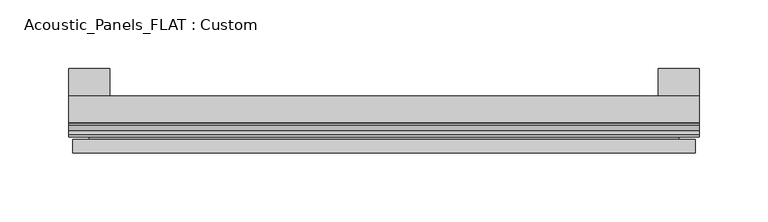
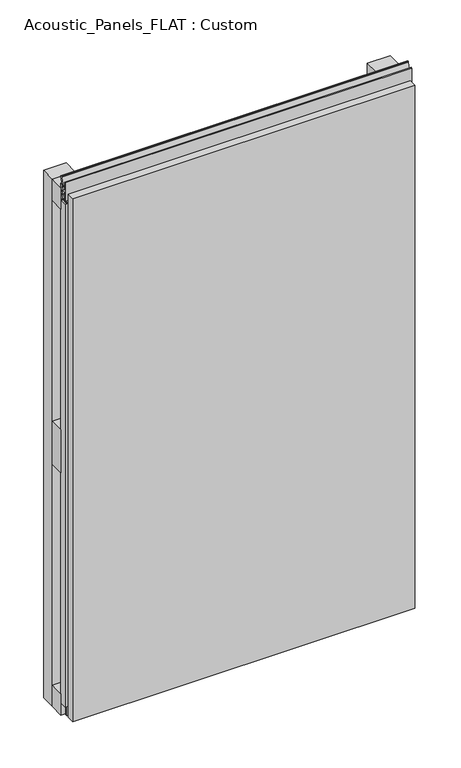
"""IFC4 building model written with IfcOpenShell, lengths in millimetres: plate geometry, Acoustic_Panels_FLAT : Custom."""

from ifc_helpers import new_model, si_unit, frame, origin, origin_with_axes, place, context, project, spatial, polyline, outline, extrude, faceted_brep, source, transform, mapped, element, save


def acoustic_panels_flat_custom_316b4cdc(model_context):
    return source(origin(), model_context, "Body", "SolidModel", [
        extrude(outline(polyline([(-230.0, -40.0), (-230.0, -20.0), (230.0, -20.0), (230.0, -40.0), (-230.0, -40.0)])), frame((0.0, 0.0, 710.0), z_axis=(0.0, 0.0, 1.0), x_axis=(1.0, 0.0, 0.0)), (0.0, 0.0, 1.0), 30.0),
        extrude(outline(polyline([(-230.0, -40.0), (-230.0, -20.0), (230.0, -20.0), (230.0, -40.0), (-230.0, -40.0)])), origin_with_axes(), (0.0, 0.0, 1.0), 30.0),
        extrude(outline(polyline([(-230.0, -40.0), (-230.0, -20.0), (230.0, -20.0), (230.0, -40.0), (-230.0, -40.0)])), frame((0.0, 0.0, 340.0), z_axis=(0.0, 0.0, 1.0), x_axis=(1.0, 0.0, 0.0)), (0.0, 0.0, 1.0), 60.0),
        extrude(outline(polyline([(200.0, 0.0), (230.0, 0.0), (230.0, -20.0), (200.0, -20.0), (200.0, 0.0)])), origin_with_axes(), (0.0, 0.0, 1.0), 740.0),
        extrude(outline(polyline([(-200.0, 0.0), (-200.0, -20.0), (-230.0, -20.0), (-230.0, 0.0), (-200.0, 0.0)])), origin_with_axes(), (0.0, 0.0, 1.0), 740.0),
        extrude(outline(polyline([(-223.700916, -40.0), (-223.700916, -43.5), (-214.6441401, -40.0553267), (-207.008452, -40.0553267), (-207.008452, -41.4553267), (-214.4296606, -41.4553267), (-225.100916, -45.5140545), (-225.100916, -41.4), (-228.5843193, -41.4), (-228.5843193, -48.7), (-216.5843193, -48.7), (-216.5843193, -50.1), (-230.0, -50.1), (-230.0, -40.0), (-223.700916, -40.0)])), frame((0.0, 0.0, 16.9558599), z_axis=(0.0, 0.0, 1.0), x_axis=(1.0, 0.0, 0.0)), (0.0, 0.0, 1.0), 706.0882802),
        extrude(outline(polyline([(-48.7, 740.899084), (-41.4, 740.899084), (-41.4, 744.899084), (-45.5140545, 744.899084), (-41.4553267, 755.5703394), (-41.4553267, 756.9558599), (-40.0553267, 756.9558599), (-40.0553267, 755.3558599), (-43.5, 746.299084), (-40.0, 746.299084), (-40.0, 733.700916), (-43.5, 733.700916), (-40.0553267, 724.6441401), (-40.0553267, 723.0441401), (-41.4553267, 723.0441401), (-41.4553267, 724.4296606), (-45.5140545, 735.100916), (-41.4, 735.100916), (-41.4, 739.100916), (-48.7, 739.100916), (-48.7, 727.100916), (-50.1, 727.100916), (-50.1, 752.899084), (-48.7, 752.899084), (-48.7, 740.899084)])), frame((-230.0, 0.0, 0.0), z_axis=(1.0, 0.0, 0.0), x_axis=(0.0, 1.0, 0.0)), (0.0, 0.0, 1.0), 460.0),
        faceted_brep([(227.0, -45.9, 737.0), (-227.0, -45.9, 737.0), (-227.0, -48.7, 737.0), (227.0, -48.7, 737.0), (-227.0, -61.9, 737.0), (227.0, -61.9, 737.0), (227.0, -51.9, 737.0), (-227.0, -51.9, 737.0), (-227.0, -45.9, 3.0), (227.0, -45.9, 3.0), (227.0, -48.7, 3.0), (-227.0, -48.7, 3.0), (227.0, -61.9, 3.0), (-227.0, -61.9, 3.0), (-227.0, -51.9, 3.0), (227.0, -51.9, 3.0), (215.0, -51.9, 725.0), (215.0, -51.9, 15.0), (215.0, -48.7, 15.0), (215.0, -48.7, 725.0), (-215.0, -51.9, 15.0), (-215.0, -48.7, 15.0), (-215.0, -51.9, 725.0), (-215.0, -48.7, 725.0)], [[[0, 1, 2, 3]], [[4, 5, 6, 7]], [[8, 9, 10, 11]], [[12, 13, 14, 15]], [[1, 0, 9, 8]], [[1, 8, 11, 2]], [[13, 4, 7, 14]], [[5, 4, 13, 12]], [[9, 0, 3, 10]], [[5, 12, 15, 6]], [[16, 17, 18, 19]], [[18, 17, 20, 21]], [[21, 20, 22, 23]], [[16, 19, 23, 22]], [[7, 6, 15, 14], [17, 16, 22, 20]], [[3, 2, 11, 10], [19, 18, 21, 23]]]),
    ])


if __name__ == "__main__":
    model = new_model("IFC4")
    model_context = context("Model", 3, world=origin())
    ifc_project = project(units=[si_unit("LENGTHUNIT", "METRE", prefix="MILLI")], contexts=[model_context])
    site = spatial("IfcSite", under=ifc_project)
    building = spatial("IfcBuilding", under=site)
    placement = place(None, origin())
    acoustic_panels_flat_custom_shape = acoustic_panels_flat_custom_316b4cdc(model_context)
    element("IfcPlate", 1, ObjectType="Acoustic_Panels_FLAT : Custom", at=placement, inside=building, context=model_context, shape_type="MappedRepresentation", body=[
        mapped(acoustic_panels_flat_custom_shape, transform((0.0, 0.0, 0.0), x_axis=(1.0, 0.0, 0.0), y_axis=(0.0, 1.0, 0.0), z_axis=(0.0, 0.0, 1.0))),
    ])
    save(model, "model.ifc")
